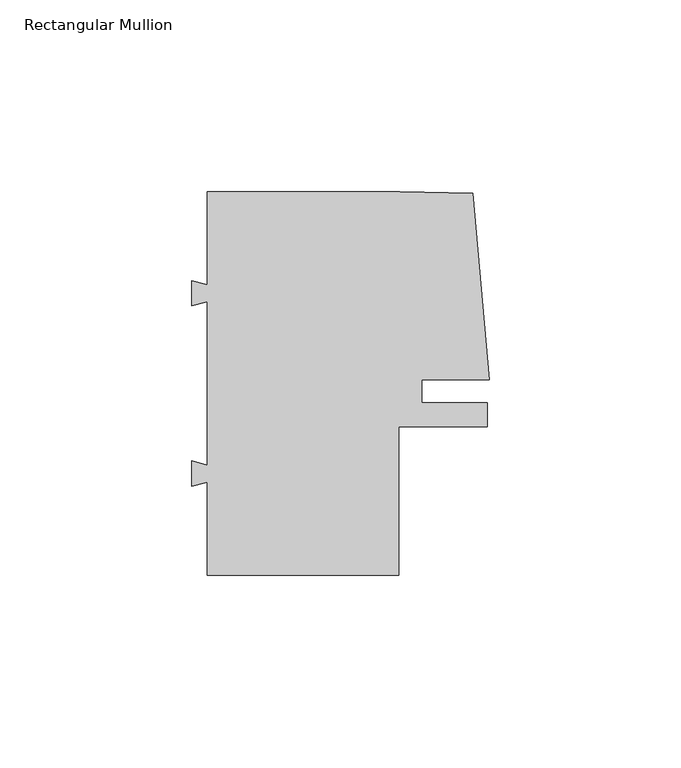
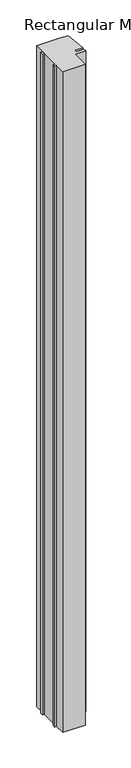
"""IFC4 building model written with IfcOpenShell, lengths in millimetres: member geometry, Rectangular Mullion."""

import ifcopenshell
import ifcopenshell.guid

model = None  # the IFC model being written
_history = None  # IfcOwnerHistory: only IFC2X3 demands one
_inside = {}  # id of a spatial element -> (the spatial element, [elements in it])
_under = {}  # id of a project, library or spatial element -> (it, [spatial elements below it])
_declared = {}  # id of a project -> (the project, [libraries it declares])
_typed = {}  # id of a type object -> (the type object, [elements of that type])
_made_of = {}  # id of a material, layer set ... -> (it, [elements and type objects made of it])


def new_model(schema):
    """Start an empty IFC model of exactly this schema.

    Asked for "IFC4X3", IfcOpenShell would pick the latest addendum, in which some entities
    have other attributes; the version numbers below select the first issue.
    IFC2X3 requires an IfcOwnerHistory on every rooted entity: one is made here for all.
    """
    global model, _history
    if schema == "IFC4X3":
        model = ifcopenshell.file(schema_version=(4, 3, 0, 0))
    else:
        model = ifcopenshell.file(schema=schema)
    _inside.clear()
    _under.clear()
    _declared.clear()
    _typed.clear()
    _made_of.clear()
    _history = None
    if model.schema == "IFC2X3":
        org = make("IfcOrganization", Name="unknown")
        user = make(
            "IfcPersonAndOrganization",
            ThePerson=make("IfcPerson", FamilyName="unknown"),
            TheOrganization=org,
        )
        app = make(
            "IfcApplication",
            ApplicationDeveloper=org,
            Version="unknown",
            ApplicationFullName="unknown",
            ApplicationIdentifier="unknown",
        )
        _history = make(
            "IfcOwnerHistory",
            OwningUser=user,
            OwningApplication=app,
            ChangeAction="ADDED",
            CreationDate=0,
        )
    return model


def make(cls, **values):
    """One entity of the class cls with the attributes given. An attribute that is None is left unset."""
    return model.create_entity(
        cls, **{name: value for name, value in values.items() if value is not None}
    )


def rooted(cls, **values):
    """An entity with a GlobalId (a new one), such as an element, a storey or a relation."""
    return make(cls, GlobalId=ifcopenshell.guid.new(), OwnerHistory=_history, **values)


def si_unit(unit_type, name, prefix=None):
    """IfcSIUnit, for example si_unit("LENGTHUNIT", "METRE", prefix="MILLI")."""
    return make("IfcSIUnit", UnitType=unit_type, Prefix=prefix, Name=name)


def assignment(units):
    """IfcUnitAssignment: the units of a project."""
    return None if units is None else make("IfcUnitAssignment", Units=units)


def point(xyz):
    """IfcCartesianPoint."""
    return None if xyz is None else make("IfcCartesianPoint", Coordinates=xyz)


def direction(xyz):
    """IfcDirection."""
    return None if xyz is None else make("IfcDirection", DirectionRatios=xyz)


def frame(location, z_axis=None, x_axis=None):
    """IfcAxis2Placement3D, a coordinate frame: its origin and axes. An axis left out is left unset."""
    return make(
        "IfcAxis2Placement3D",
        Location=point(location),
        Axis=direction(z_axis),
        RefDirection=direction(x_axis),
    )


def origin():
    """The frame at (0, 0, 0) with its axes left unset."""
    return frame((0.0, 0.0, 0.0))


def place(relative_to, where):
    """IfcLocalPlacement: puts the frame where relative to a parent placement (None: the world)."""
    return make(
        "IfcLocalPlacement", PlacementRelTo=relative_to, RelativePlacement=where
    )


def context(
    kind, dimensions, precision=None, world=None, true_north=None, identifier=None
):
    """IfcGeometricRepresentationContext, for example the 3D "Model" context."""
    return make(
        "IfcGeometricRepresentationContext",
        ContextIdentifier=identifier,
        ContextType=kind,
        CoordinateSpaceDimension=dimensions,
        Precision=precision,
        WorldCoordinateSystem=world,
        TrueNorth=true_north,
    )


def project(units=None, contexts=None):
    """IfcProject with its units and contexts."""
    return rooted(
        "IfcProject",
        Name="project",
        RepresentationContexts=contexts,
        UnitsInContext=assignment(units),
    )


def spatial(cls, under=None, at=None, **own):
    """A site, building, storey or space (cls), placed at a placement, below another one or the project."""
    s = rooted(cls, ObjectPlacement=at, **own)
    if under is not None:
        _under.setdefault(under.id(), (under, []))[1].append(s)
    return s


def polyline(points):
    """IfcPolyline through the points."""
    return make("IfcPolyline", Points=[point(p) for p in points])


def outline(outer, holes=None, kind="AREA"):
    """IfcArbitraryClosedProfileDef: a profile drawn as a closed curve; with holes, ...WithVoids."""
    if holes is None:
        return make("IfcArbitraryClosedProfileDef", ProfileType=kind, OuterCurve=outer)
    return make(
        "IfcArbitraryProfileDefWithVoids",
        ProfileType=kind,
        OuterCurve=outer,
        InnerCurves=holes,
    )


def extrude(swept, where, along, depth):
    """IfcExtrudedAreaSolid: the profile swept, set in the frame where, extruded along a direction by depth."""
    return make(
        "IfcExtrudedAreaSolid",
        SweptArea=swept,
        Position=where,
        ExtrudedDirection=direction(along),
        Depth=depth,
    )


def shape(context_of_items, identifier, shape_type, items):
    """IfcShapeRepresentation: the items that make up one representation, for example the "Body"."""
    return make(
        "IfcShapeRepresentation",
        ContextOfItems=context_of_items,
        RepresentationIdentifier=identifier,
        RepresentationType=shape_type,
        Items=items,
    )


def source(mapping_origin, context_of_items, identifier, shape_type, items):
    """IfcRepresentationMap: a shape defined once, which mapped items show again and again."""
    return make(
        "IfcRepresentationMap",
        MappingOrigin=mapping_origin,
        MappedRepresentation=shape(context_of_items, identifier, shape_type, items),
    )


def transform(
    local_origin,
    x_axis=None,
    y_axis=None,
    z_axis=None,
    scale=None,
    scale2=None,
    scale3=None,
    uniform=True,
):
    """IfcCartesianTransformationOperator3D, or its non-uniform kind. x_axis, y_axis, z_axis: its Axis1, 2, 3."""
    if uniform:
        return make(
            "IfcCartesianTransformationOperator3D",
            Axis1=direction(x_axis),
            Axis2=direction(y_axis),
            LocalOrigin=point(local_origin),
            Scale=scale,
            Axis3=direction(z_axis),
        )
    return make(
        "IfcCartesianTransformationOperator3DnonUniform",
        Axis1=direction(x_axis),
        Axis2=direction(y_axis),
        LocalOrigin=point(local_origin),
        Scale=scale,
        Axis3=direction(z_axis),
        Scale2=scale2,
        Scale3=scale3,
    )


def mapped(mapping_source, mapping_target):
    """IfcMappedItem: shows the shape of a source again, moved by a transform."""
    return make(
        "IfcMappedItem", MappingSource=mapping_source, MappingTarget=mapping_target
    )


def made_of(thing, what):
    """Note that an element or type object is made of a material, layer set ...; save() writes the relation."""
    if what is not None:
        _made_of.setdefault(what.id(), (what, []))[1].append(thing)
    return thing


def element(
    cls,
    number,
    at=None,
    inside=None,
    cuts=None,
    type_object=None,
    material=None,
    context=None,
    identifier="Body",
    shape_type=None,
    held_by="IfcProductDefinitionShape",
    body=None,
    shapes=None,
    **own,
):
    """One element of the class cls, such as IfcWall. Its Tag is "e" and its number.

    at: its placement. inside: the storey or other place that contains it. cuts: it is an
    opening in that element (IfcRelVoidsElement). A single representation is given by context,
    identifier, shape_type and body (its items); several are given by shapes. held_by: the class
    of the entity that holds the representations. save() writes the other relations.
    """
    e = rooted(cls, Tag="e%d" % number, ObjectPlacement=at, **own)
    if body is not None:
        shapes = [shape(context, identifier, shape_type, body)]
    if shapes is not None:
        e.Representation = make(held_by, Representations=shapes)
    if inside is not None:
        _inside.setdefault(inside.id(), (inside, []))[1].append(e)
    if cuts is not None:
        rooted(
            "IfcRelVoidsElement", RelatingBuildingElement=cuts, RelatedOpeningElement=e
        )
    if type_object is not None:
        _typed.setdefault(type_object.id(), (type_object, []))[1].append(e)
    return made_of(e, material)


def aggregate(whole, parts):
    """IfcRelAggregates: a whole, such as a stair, and the parts it consists of."""
    return rooted("IfcRelAggregates", RelatingObject=whole, RelatedObjects=parts)


def save(model, path):
    """Write the relations noted so far, then the file.

    IfcRelAggregates (storeys below a building ...), IfcRelContainedInSpatialStructure (elements
    in a storey), IfcRelDefinesByType, IfcRelAssociatesMaterial and IfcRelDeclares: one each for
    every whole, place, type object, material and project.
    """
    for whole, parts in _under.values():
        aggregate(whole, parts)
    for where, things in _inside.values():
        rooted(
            "IfcRelContainedInSpatialStructure",
            RelatedElements=things,
            RelatingStructure=where,
        )
    for kind, things in _typed.values():
        rooted("IfcRelDefinesByType", RelatedObjects=things, RelatingType=kind)
    for what, things in _made_of.values():
        rooted("IfcRelAssociatesMaterial", RelatedObjects=things, RelatingMaterial=what)
    for by, libraries in _declared.values():
        rooted("IfcRelDeclares", RelatingContext=by, RelatedDefinitions=libraries)
    model.write(path)


def rectangular_mullion_b6418d7f(model_context):
    return source(origin(), model_context, "Body", "SweptSolid", [
        extrude(outline(polyline([(30.9361854, -3.0000086), (48.0000056, -3.000007), (48.0000056, -9.2999914), (25.0000058, -9.2999914), (25.0000058, -48.000007), (-25.0000002, -48.000007), (-25.0000002, -23.7174688), (-28.9999927, -24.789264), (-28.9999927, -18.2107341), (-25.0000002, -19.2825284), (-25.0000002, 23.2825325), (-28.9999973, 22.210736), (-28.9999973, 28.7892659), (-25.0000002, 27.7174703), (-25.0000002, 51.9999859), (25.1911519, 51.9999908), (44.2980202, 51.584626), (48.5486281, 3.0000104), (30.9361849, 3.0000086), (30.9361854, -3.0000086)])), frame((0.0, 0.0, -1549.999978), z_axis=(0.0, 0.0, 1.0), x_axis=(1.0, 0.0, 0.0)), (0.0, 0.0, 1.0), 1549.999978),
    ])


if __name__ == "__main__":
    model = new_model("IFC4")
    model_context = context("Model", 3, world=origin())
    ifc_project = project(units=[si_unit("LENGTHUNIT", "METRE", prefix="MILLI")], contexts=[model_context])
    site = spatial("IfcSite", under=ifc_project)
    building = spatial("IfcBuilding", under=site)
    placement = place(None, origin())
    rectangular_mullion_shape = rectangular_mullion_b6418d7f(model_context)
    element("IfcMember", 1, ObjectType="Rectangular Mullion", at=placement, inside=building, context=model_context, shape_type="MappedRepresentation", body=[
        mapped(rectangular_mullion_shape, transform((0.0, 0.0, 0.0), x_axis=(1.0, 0.0, 0.0), y_axis=(0.0, 1.0, 0.0), z_axis=(0.0, 0.0, 1.0))),
    ])
    save(model, "model.ifc")
